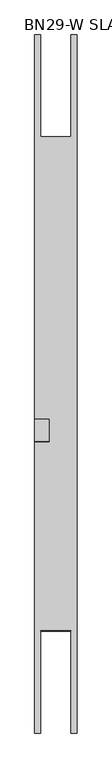
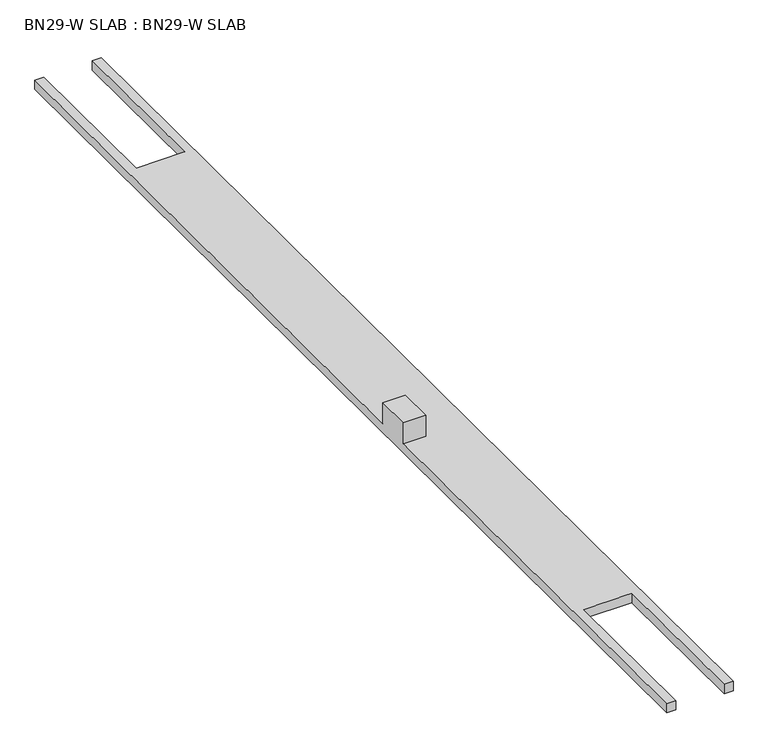
"""IFC4 building model written with IfcOpenShell, lengths in millimetres: proxy geometry, BN29-W SLAB : BN29-W SLAB."""

from ifc_helpers import new_model, si_unit, origin, place, context, project, spatial, faceted_brep, source, transform, mapped, element, save


def bn29_w_slab_bn29_w_slab_a3a101ea(model_context):
    return source(origin(), model_context, "Body", "Brep", [
        faceted_brep([(-1490.0, 9.1941437, 2309.9817029), (-1490.0, 8.3583125, 2099.9833663), (-1290.0, 8.3583125, 2099.9833663), (-1290.0, 9.2021575, 2311.9951098), (0.0, 8.3583125, 2099.9833663), (0.0, 9.253846, 2324.9815841), (-200.0, 9.2458322, 2322.9681772), (-200.0, 8.3583125, 2099.9833663), (0.0, 24631.0588194, 2226.9823603), (0.0, 24630.163286, 2001.9841425), (-200.0, 24630.163286, 2001.9841425), (-200.0, 24631.0508057, 2224.9689535), (-1490.0, 24630.163286, 2001.9841425), (-1490.0, 24630.9991172, 2211.9824791), (-1290.0, 24631.0071309, 2213.995886), (-1290.0, 24630.163286, 2001.9841425), (-200.0, 21031.0793207, 2239.2974891), (-1290.0, 21031.0356459, 2228.3244217), (-1490.0, 11074.1064998, 2265.9413564), (-989.9502496, 11074.1265361, 2270.9753744), (-989.9500025, 10274.1328728, 2274.159496), (-1490.0, 10274.1128365, 2269.1254755), (-1290.0, 3609.1736425, 2297.6665741), (-200.0, 3609.2173173, 2308.6396415), (-1490.0, 10276.1029487, 2769.1310303), (-1490.0, 11076.0966121, 2765.9469113), (-1290.0, 21030.1918009, 2016.3126782), (-200.0, 21030.1918009, 2016.3126782), (-200.0, 3608.3297975, 2085.6548306), (-1290.0, 3608.3297975, 2085.6548306), (-989.9500025, 11076.0966121, 2765.9469113), (-989.9500025, 10276.1029487, 2769.1310303)], [[[0, 1, 2, 3]], [[4, 5, 6, 7]], [[8, 9, 10, 11]], [[12, 13, 14, 15]], [[5, 8, 11, 16, 17, 14, 13, 18, 19, 20, 21, 0, 3, 22, 23, 6]], [[1, 0, 21, 24, 25, 18, 13, 12]], [[1, 12, 15, 26, 27, 10, 9, 4, 7, 28, 29, 2]], [[5, 4, 9, 8]], [[26, 17, 16, 27]], [[27, 16, 11, 10]], [[17, 26, 15, 14]], [[28, 23, 22, 29]], [[23, 28, 7, 6]], [[29, 22, 3, 2]], [[18, 25, 30, 19]], [[20, 31, 24, 21]], [[19, 30, 31, 20]], [[30, 25, 24, 31]]]),
    ])


if __name__ == "__main__":
    model = new_model("IFC4")
    model_context = context("Model", 3, world=origin())
    ifc_project = project(units=[si_unit("LENGTHUNIT", "METRE", prefix="MILLI")], contexts=[model_context])
    site = spatial("IfcSite", under=ifc_project)
    building = spatial("IfcBuilding", under=site)
    placement = place(None, origin())
    bn29_w_slab_bn29_w_slab_shape = bn29_w_slab_bn29_w_slab_a3a101ea(model_context)
    element("IfcBuildingElementProxy", 1, Name="BN29-W SLAB : BN29-W SLAB", ObjectType="BN29-W SLAB : BN29-W SLAB", at=placement, inside=building, context=model_context, shape_type="MappedRepresentation", body=[
        mapped(bn29_w_slab_bn29_w_slab_shape, transform((0.0, 0.0, 0.0), x_axis=(1.0, 0.0, 0.0), y_axis=(0.0, 1.0, 0.0), z_axis=(0.0, 0.0, 1.0))),
    ])
    save(model, "model.ifc")
